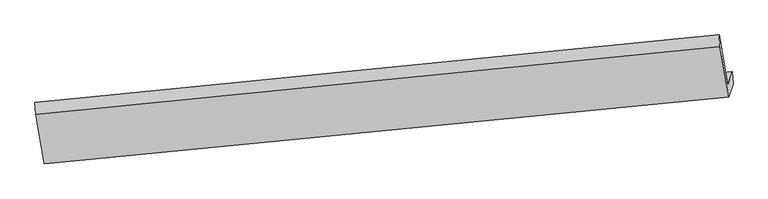
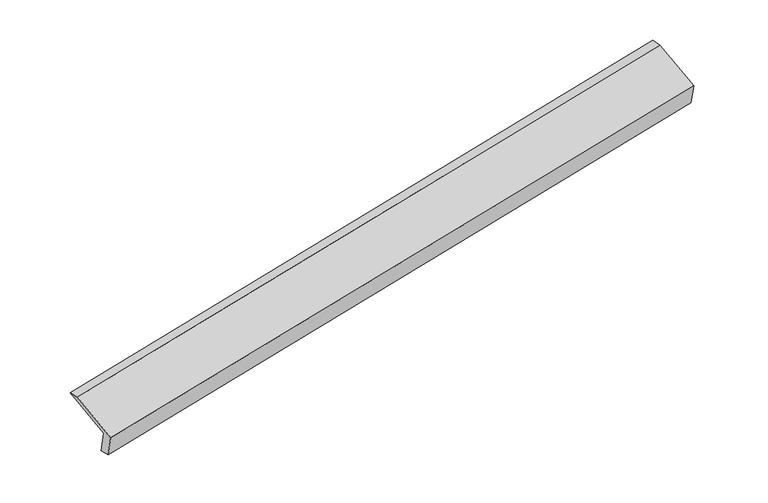
"""IFC4 building model written with IfcOpenShell, lengths in millimetres: proxy geometry."""

from ifc_helpers import new_model, si_unit, origin, place, context, project, spatial, faceted_brep, source, transform, mapped, element, save


def generic_models_2c4e38bd(model_context):
    return source(origin(), model_context, "Body", "Brep", [
        faceted_brep([(-7440.9276279, -1985.786257, 652.2155391), (-7502.182265, -2165.6225708, 1064.5995405), (1807.8962755, -1252.4746513, 2851.2179444), (1869.1509126, -1072.6383375, 2438.833943), (-7432.1013149, -2156.2074802, 692.6697398), (1877.9772256, -1243.0595607, 2479.2881437), (-7490.6203722, -2328.0124576, 1086.6370233), (1819.4581683, -1414.8645381, 2873.2554271), (-7608.6482708, -1654.9994164, 1362.5993013), (1699.8286041, -732.7185561, 3152.9625763), (-7620.2696863, -1492.2701224, 1340.700989), (1688.2071887, -569.9892621, 3131.0642641)], [[[0, 1, 2, 3]], [[4, 0, 3, 5]], [[6, 4, 5, 7]], [[8, 6, 7, 9]], [[10, 8, 9, 11]], [[1, 10, 11, 2]], [[9, 7, 5, 3, 2, 11]], [[1, 0, 4, 6, 8, 10]]]),
    ])


if __name__ == "__main__":
    model = new_model("IFC4")
    model_context = context("Model", 3, world=origin())
    ifc_project = project(units=[si_unit("LENGTHUNIT", "METRE", prefix="MILLI")], contexts=[model_context])
    site = spatial("IfcSite", under=ifc_project)
    building = spatial("IfcBuilding", under=site)
    placement = place(None, origin())
    generic_models_shape = generic_models_2c4e38bd(model_context)
    element("IfcBuildingElementProxy", 1, Name="Generic Models", at=placement, inside=building, context=model_context, shape_type="MappedRepresentation", body=[
        mapped(generic_models_shape, transform((0.0, 0.0, 0.0), x_axis=(1.0, 0.0, 0.0), y_axis=(0.0, 1.0, 0.0), z_axis=(0.0, 0.0, 1.0))),
    ])
    save(model, "model.ifc")
